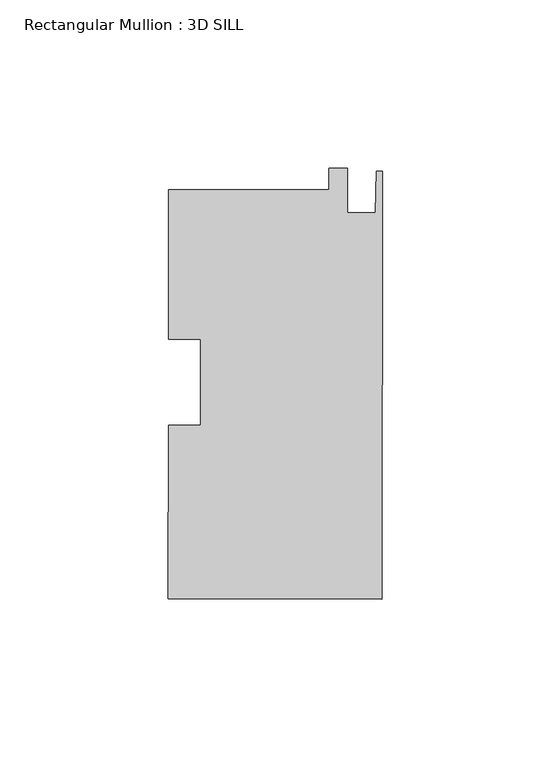
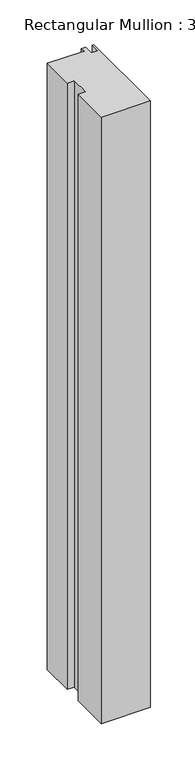
"""IFC4 building model written with IfcOpenShell, lengths in millimetres: member geometry, Rectangular Mullion : 3D SILL."""

from ifc_helpers import new_model, si_unit, frame, origin, place, context, project, spatial, polyline, outline, extrude, source, transform, mapped, element, save


def rectangular_mullion_3d_sill_e86d6d96(model_context):
    return source(origin(), model_context, "Body", "SweptSolid", [
        extrude(outline(polyline([(-15.8785297, 57.0944487), (-15.8744967, 63.4444474), (-10.3118978, 63.4409144), (-10.3202382, 50.3091171), (-2.0398398, 50.303858), (-1.7779996, 62.6480942), (0.0, 62.6469649), (-0.0806567, -64.3465324), (-63.5806439, -64.306202), (-63.5479185, -12.7802285), (-54.0229204, -12.7862781), (-54.0067326, 12.7014151), (-63.5317306, 12.7074647), (-63.5035201, 57.1246965), (-15.8785297, 57.0944487)])), frame((0.0, 0.0, -832.0293076), z_axis=(0.0, 0.0, 1.0), x_axis=(1.0, 0.0, 0.0)), (0.0, 0.0, 1.0), 832.0293076),
    ])


if __name__ == "__main__":
    model = new_model("IFC4")
    model_context = context("Model", 3, world=origin())
    ifc_project = project(units=[si_unit("LENGTHUNIT", "METRE", prefix="MILLI")], contexts=[model_context])
    site = spatial("IfcSite", under=ifc_project)
    building = spatial("IfcBuilding", under=site)
    placement = place(None, origin())
    rectangular_mullion_3d_sill_shape = rectangular_mullion_3d_sill_e86d6d96(model_context)
    element("IfcMember", 1, ObjectType="Rectangular Mullion : 3D SILL", at=placement, inside=building, context=model_context, shape_type="MappedRepresentation", body=[
        mapped(rectangular_mullion_3d_sill_shape, transform((0.0, 0.0, 0.0), x_axis=(1.0, 0.0, 0.0), y_axis=(0.0, 1.0, 0.0), z_axis=(0.0, 0.0, 1.0))),
    ])
    save(model, "model.ifc")
